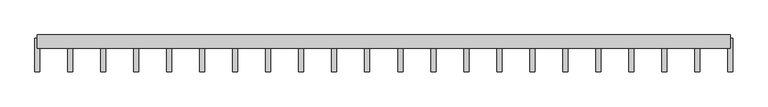
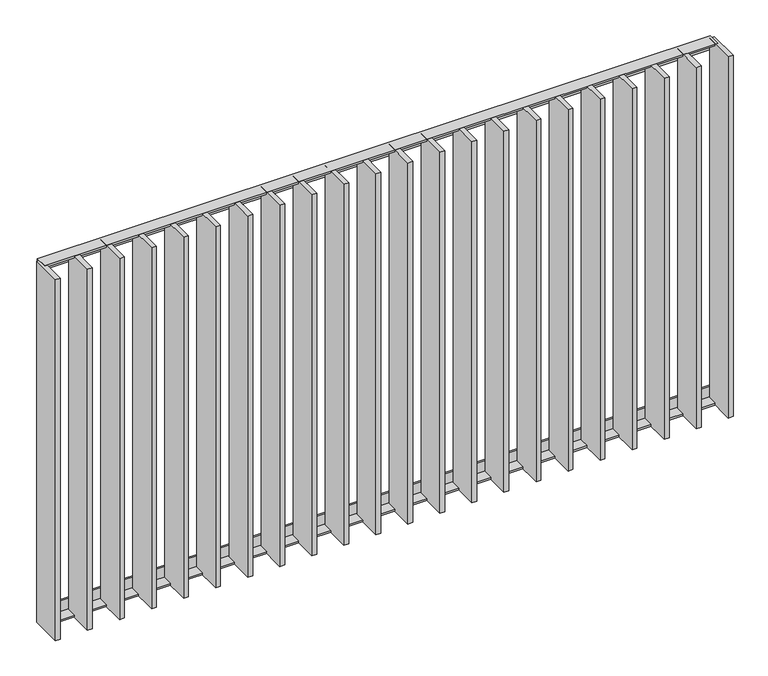
"""IFC4 building model written with IfcOpenShell, lengths in millimetres: railing geometry."""

from ifc_helpers import new_model, si_unit, frame, origin, place, context, project, spatial, polyline, outline, extrude, source, transform, mapped, element, save


def railing_b186595c(model_context):
    return source(origin(), model_context, "Body", "SweptSolid", [
        extrude(outline(polyline([(14.0, -6.0), (-20.0, -6.0), (-20.0, 0.0), (20.0, 0.0), (20.0, -40.0), (14.0, -40.0), (14.0, -6.0)])), frame((42609.5112278, 21370.9194272, 8000.0), z_axis=(1.0, 4.964529300475389e-12, 0.0), x_axis=(-4.964529300475389e-12, 1.0, 0.0)), (0.0, 0.0, 1.0), 2080.0),
        extrude(outline(polyline([(14.0, 6.0), (14.0, 40.0), (20.0, 40.0), (20.0, 0.0), (-20.0, 0.0), (-20.0, 6.0), (14.0, 6.0)])), frame((42609.5112278, 21370.9194272, 6820.0), z_axis=(1.0, 4.964529300475389e-12, 0.0), x_axis=(-4.964529300475389e-12, 1.0, 0.0)), (0.0, 0.0, 1.0), 2080.0),
        extrude(outline(polyline([(44582.9636088, 21380.9194272), (44597.9636088, 21380.9194272), (44597.9636088, 21280.9194272), (44582.9636088, 21280.9194272), (44582.9636088, 21380.9194272)])), frame((0.0, 0.0, 6819.9), z_axis=(0.0, 0.0, 1.0), x_axis=(1.0, 0.0, 0.0)), (0.0, 0.0, 1.0), 1180.2),
        extrude(outline(polyline([(44483.9159897, 21380.9194272), (44498.9159897, 21380.9194272), (44498.9159897, 21280.9194272), (44483.9159897, 21280.9194272), (44483.9159897, 21380.9194272)])), frame((0.0, 0.0, 6819.9), z_axis=(0.0, 0.0, 1.0), x_axis=(1.0, 0.0, 0.0)), (0.0, 0.0, 1.0), 1180.2),
        extrude(outline(polyline([(44384.8683707, 21380.9194272), (44399.8683707, 21380.9194272), (44399.8683707, 21280.9194272), (44384.8683707, 21280.9194272), (44384.8683707, 21380.9194272)])), frame((0.0, 0.0, 6819.9), z_axis=(0.0, 0.0, 1.0), x_axis=(1.0, 0.0, 0.0)), (0.0, 0.0, 1.0), 1180.2),
        extrude(outline(polyline([(44285.8207516, 21380.9194272), (44300.8207516, 21380.9194272), (44300.8207516, 21280.9194272), (44285.8207516, 21280.9194272), (44285.8207516, 21380.9194272)])), frame((0.0, 0.0, 6819.9), z_axis=(0.0, 0.0, 1.0), x_axis=(1.0, 0.0, 0.0)), (0.0, 0.0, 1.0), 1180.2),
        extrude(outline(polyline([(44186.7731326, 21380.9194272), (44201.7731326, 21380.9194272), (44201.7731326, 21280.9194272), (44186.7731326, 21280.9194272), (44186.7731326, 21380.9194272)])), frame((0.0, 0.0, 6819.9), z_axis=(0.0, 0.0, 1.0), x_axis=(1.0, 0.0, 0.0)), (0.0, 0.0, 1.0), 1180.2),
        extrude(outline(polyline([(44087.7255135, 21380.9194272), (44102.7255135, 21380.9194272), (44102.7255135, 21280.9194272), (44087.7255135, 21280.9194272), (44087.7255135, 21380.9194272)])), frame((0.0, 0.0, 6819.9), z_axis=(0.0, 0.0, 1.0), x_axis=(1.0, 0.0, 0.0)), (0.0, 0.0, 1.0), 1180.2),
        extrude(outline(polyline([(43988.6778945, 21380.9194272), (44003.6778945, 21380.9194272), (44003.6778945, 21280.9194272), (43988.6778945, 21280.9194272), (43988.6778945, 21380.9194272)])), frame((0.0, 0.0, 6819.9), z_axis=(0.0, 0.0, 1.0), x_axis=(1.0, 0.0, 0.0)), (0.0, 0.0, 1.0), 1180.2),
        extrude(outline(polyline([(43889.6302754, 21380.9194272), (43904.6302754, 21380.9194272), (43904.6302754, 21280.9194272), (43889.6302754, 21280.9194272), (43889.6302754, 21380.9194272)])), frame((0.0, 0.0, 6819.9), z_axis=(0.0, 0.0, 1.0), x_axis=(1.0, 0.0, 0.0)), (0.0, 0.0, 1.0), 1180.2),
        extrude(outline(polyline([(43790.5826564, 21380.9194272), (43805.5826564, 21380.9194272), (43805.5826564, 21280.9194272), (43790.5826564, 21280.9194272), (43790.5826564, 21380.9194272)])), frame((0.0, 0.0, 6819.9), z_axis=(0.0, 0.0, 1.0), x_axis=(1.0, 0.0, 0.0)), (0.0, 0.0, 1.0), 1180.2),
        extrude(outline(polyline([(43691.5350373, 21380.9194272), (43706.5350373, 21380.9194272), (43706.5350373, 21280.9194272), (43691.5350373, 21280.9194272), (43691.5350373, 21380.9194272)])), frame((0.0, 0.0, 6819.9), z_axis=(0.0, 0.0, 1.0), x_axis=(1.0, 0.0, 0.0)), (0.0, 0.0, 1.0), 1180.2),
        extrude(outline(polyline([(43592.4874183, 21380.9194272), (43607.4874183, 21380.9194272), (43607.4874183, 21280.9194272), (43592.4874183, 21280.9194272), (43592.4874183, 21380.9194272)])), frame((0.0, 0.0, 6819.9), z_axis=(0.0, 0.0, 1.0), x_axis=(1.0, 0.0, 0.0)), (0.0, 0.0, 1.0), 1180.2),
        extrude(outline(polyline([(43493.4397992, 21380.9194272), (43508.4397992, 21380.9194272), (43508.4397992, 21280.9194272), (43493.4397992, 21280.9194272), (43493.4397992, 21380.9194272)])), frame((0.0, 0.0, 6819.9), z_axis=(0.0, 0.0, 1.0), x_axis=(1.0, 0.0, 0.0)), (0.0, 0.0, 1.0), 1180.2),
        extrude(outline(polyline([(43394.3921802, 21380.9194272), (43409.3921802, 21380.9194272), (43409.3921802, 21280.9194272), (43394.3921802, 21280.9194272), (43394.3921802, 21380.9194272)])), frame((0.0, 0.0, 6819.9), z_axis=(0.0, 0.0, 1.0), x_axis=(1.0, 0.0, 0.0)), (0.0, 0.0, 1.0), 1180.2),
        extrude(outline(polyline([(43295.3445611, 21380.9194272), (43310.3445611, 21380.9194272), (43310.3445611, 21280.9194272), (43295.3445611, 21280.9194272), (43295.3445611, 21380.9194272)])), frame((0.0, 0.0, 6819.9), z_axis=(0.0, 0.0, 1.0), x_axis=(1.0, 0.0, 0.0)), (0.0, 0.0, 1.0), 1180.2),
        extrude(outline(polyline([(43196.2969421, 21380.9194272), (43211.2969421, 21380.9194272), (43211.2969421, 21280.9194272), (43196.2969421, 21280.9194272), (43196.2969421, 21380.9194272)])), frame((0.0, 0.0, 6819.9), z_axis=(0.0, 0.0, 1.0), x_axis=(1.0, 0.0, 0.0)), (0.0, 0.0, 1.0), 1180.2),
        extrude(outline(polyline([(43097.249323, 21380.9194272), (43112.249323, 21380.9194272), (43112.249323, 21280.9194272), (43097.249323, 21280.9194272), (43097.249323, 21380.9194272)])), frame((0.0, 0.0, 6819.9), z_axis=(0.0, 0.0, 1.0), x_axis=(1.0, 0.0, 0.0)), (0.0, 0.0, 1.0), 1180.2),
        extrude(outline(polyline([(42998.201704, 21380.9194272), (43013.201704, 21380.9194272), (43013.201704, 21280.9194272), (42998.201704, 21280.9194272), (42998.201704, 21380.9194272)])), frame((0.0, 0.0, 6819.9), z_axis=(0.0, 0.0, 1.0), x_axis=(1.0, 0.0, 0.0)), (0.0, 0.0, 1.0), 1180.2),
        extrude(outline(polyline([(42899.1540849, 21380.9194272), (42914.1540849, 21380.9194272), (42914.154085, 21280.9194272), (42899.154085, 21280.9194272), (42899.1540849, 21380.9194272)])), frame((0.0, 0.0, 6819.9), z_axis=(0.0, 0.0, 1.0), x_axis=(1.0, 0.0, 0.0)), (0.0, 0.0, 1.0), 1180.2),
        extrude(outline(polyline([(42800.1064659, 21380.9194272), (42815.1064659, 21380.9194272), (42815.1064659, 21280.9194272), (42800.1064659, 21280.9194272), (42800.1064659, 21380.9194272)])), frame((0.0, 0.0, 6819.9), z_axis=(0.0, 0.0, 1.0), x_axis=(1.0, 0.0, 0.0)), (0.0, 0.0, 1.0), 1180.2),
        extrude(outline(polyline([(42701.0588469, 21380.9194272), (42716.0588469, 21380.9194272), (42716.0588469, 21280.9194272), (42701.0588469, 21280.9194272), (42701.0588469, 21380.9194272)])), frame((0.0, 0.0, 6819.9), z_axis=(0.0, 0.0, 1.0), x_axis=(1.0, 0.0, 0.0)), (0.0, 0.0, 1.0), 1180.2),
        extrude(outline(polyline([(44682.0112278, 21380.9194272), (44697.0112278, 21380.9194272), (44697.0112278, 21280.9194272), (44682.0112278, 21280.9194272), (44682.0112278, 21380.9194272)])), frame((0.0, 0.0, 6819.9), z_axis=(0.0, 0.0, 1.0), x_axis=(1.0, 0.0, 0.0)), (0.0, 0.0, 1.0), 1180.2),
        extrude(outline(polyline([(42602.0112278, 21380.9194272), (42617.0112278, 21380.9194272), (42617.0112278, 21280.9194272), (42602.0112278, 21280.9194272), (42602.0112278, 21380.9194272)])), frame((0.0, 0.0, 6819.9), z_axis=(0.0, 0.0, 1.0), x_axis=(1.0, 0.0, 0.0)), (0.0, 0.0, 1.0), 1180.2),
    ])


if __name__ == "__main__":
    model = new_model("IFC4")
    model_context = context("Model", 3, world=origin())
    ifc_project = project(units=[si_unit("LENGTHUNIT", "METRE", prefix="MILLI")], contexts=[model_context])
    site = spatial("IfcSite", under=ifc_project)
    building = spatial("IfcBuilding", under=site)
    placement = place(None, origin())
    railing_shape = railing_b186595c(model_context)
    element("IfcRailing", 1, at=placement, inside=building, context=model_context, shape_type="MappedRepresentation", body=[
        mapped(railing_shape, transform((0.0, 0.0, 0.0), x_axis=(1.0, 0.0, 0.0), y_axis=(0.0, 1.0, 0.0), z_axis=(0.0, 0.0, 1.0))),
    ])
    save(model, "model.ifc")
